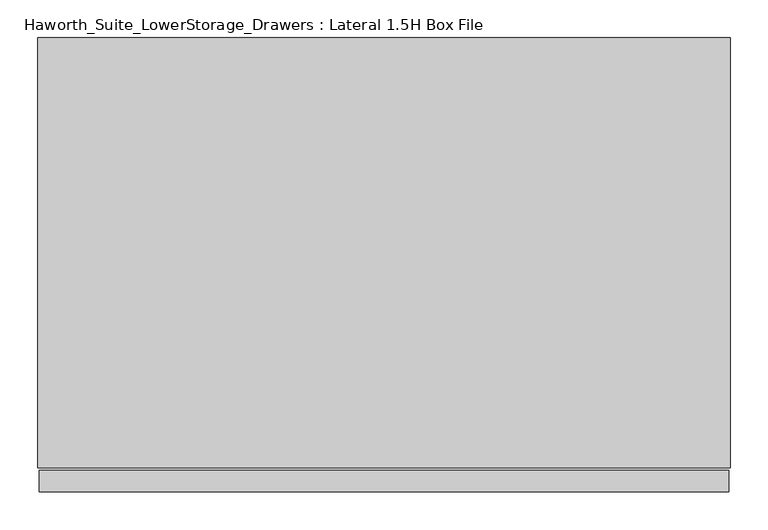
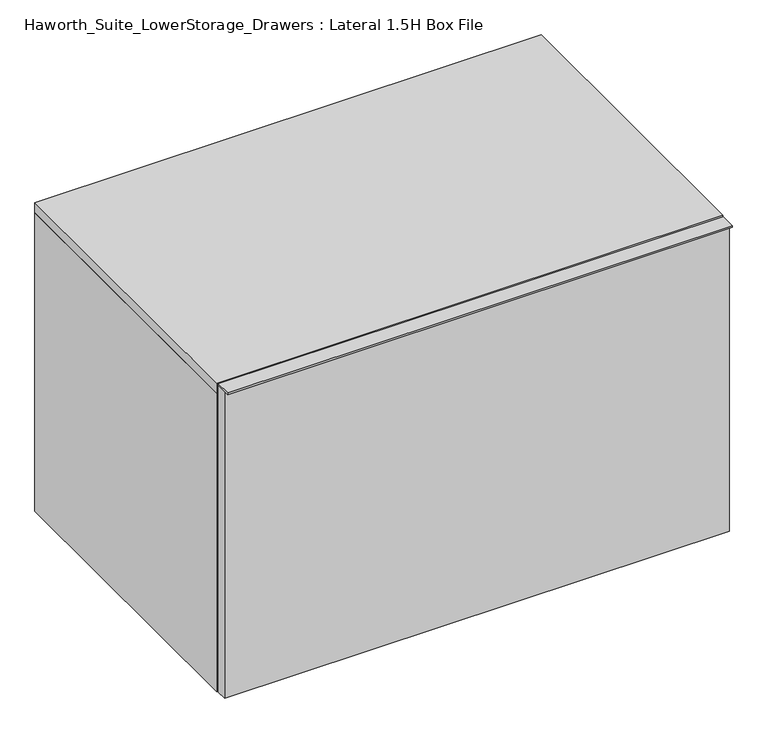
"""IFC4 building model written with IfcOpenShell, lengths in millimetres: furniture geometry, Haworth_Suite_LowerStorage_Drawers : Lateral 1.5H Box File."""

import ifcopenshell
import ifcopenshell.guid

model = None  # the IFC model being written
_history = None  # IfcOwnerHistory: only IFC2X3 demands one
_inside = {}  # id of a spatial element -> (the spatial element, [elements in it])
_under = {}  # id of a project, library or spatial element -> (it, [spatial elements below it])
_declared = {}  # id of a project -> (the project, [libraries it declares])
_typed = {}  # id of a type object -> (the type object, [elements of that type])
_made_of = {}  # id of a material, layer set ... -> (it, [elements and type objects made of it])


def new_model(schema):
    """Start an empty IFC model of exactly this schema.

    Asked for "IFC4X3", IfcOpenShell would pick the latest addendum, in which some entities
    have other attributes; the version numbers below select the first issue.
    IFC2X3 requires an IfcOwnerHistory on every rooted entity: one is made here for all.
    """
    global model, _history
    if schema == "IFC4X3":
        model = ifcopenshell.file(schema_version=(4, 3, 0, 0))
    else:
        model = ifcopenshell.file(schema=schema)
    _inside.clear()
    _under.clear()
    _declared.clear()
    _typed.clear()
    _made_of.clear()
    _history = None
    if model.schema == "IFC2X3":
        org = make("IfcOrganization", Name="unknown")
        user = make(
            "IfcPersonAndOrganization",
            ThePerson=make("IfcPerson", FamilyName="unknown"),
            TheOrganization=org,
        )
        app = make(
            "IfcApplication",
            ApplicationDeveloper=org,
            Version="unknown",
            ApplicationFullName="unknown",
            ApplicationIdentifier="unknown",
        )
        _history = make(
            "IfcOwnerHistory",
            OwningUser=user,
            OwningApplication=app,
            ChangeAction="ADDED",
            CreationDate=0,
        )
    return model


def make(cls, **values):
    """One entity of the class cls with the attributes given. An attribute that is None is left unset."""
    return model.create_entity(
        cls, **{name: value for name, value in values.items() if value is not None}
    )


def rooted(cls, **values):
    """An entity with a GlobalId (a new one), such as an element, a storey or a relation."""
    return make(cls, GlobalId=ifcopenshell.guid.new(), OwnerHistory=_history, **values)


def si_unit(unit_type, name, prefix=None):
    """IfcSIUnit, for example si_unit("LENGTHUNIT", "METRE", prefix="MILLI")."""
    return make("IfcSIUnit", UnitType=unit_type, Prefix=prefix, Name=name)


def assignment(units):
    """IfcUnitAssignment: the units of a project."""
    return None if units is None else make("IfcUnitAssignment", Units=units)


def point(xyz):
    """IfcCartesianPoint."""
    return None if xyz is None else make("IfcCartesianPoint", Coordinates=xyz)


def direction(xyz):
    """IfcDirection."""
    return None if xyz is None else make("IfcDirection", DirectionRatios=xyz)


def frame(location, z_axis=None, x_axis=None):
    """IfcAxis2Placement3D, a coordinate frame: its origin and axes. An axis left out is left unset."""
    return make(
        "IfcAxis2Placement3D",
        Location=point(location),
        Axis=direction(z_axis),
        RefDirection=direction(x_axis),
    )


def origin():
    """The frame at (0, 0, 0) with its axes left unset."""
    return frame((0.0, 0.0, 0.0))


def origin_with_axes():
    """The frame at (0, 0, 0) with the z axis (0, 0, 1) and the x axis (1, 0, 0) written out."""
    return frame((0.0, 0.0, 0.0), z_axis=(0.0, 0.0, 1.0), x_axis=(1.0, 0.0, 0.0))


def place(relative_to, where):
    """IfcLocalPlacement: puts the frame where relative to a parent placement (None: the world)."""
    return make(
        "IfcLocalPlacement", PlacementRelTo=relative_to, RelativePlacement=where
    )


def context(
    kind, dimensions, precision=None, world=None, true_north=None, identifier=None
):
    """IfcGeometricRepresentationContext, for example the 3D "Model" context."""
    return make(
        "IfcGeometricRepresentationContext",
        ContextIdentifier=identifier,
        ContextType=kind,
        CoordinateSpaceDimension=dimensions,
        Precision=precision,
        WorldCoordinateSystem=world,
        TrueNorth=true_north,
    )


def project(units=None, contexts=None):
    """IfcProject with its units and contexts."""
    return rooted(
        "IfcProject",
        Name="project",
        RepresentationContexts=contexts,
        UnitsInContext=assignment(units),
    )


def spatial(cls, under=None, at=None, **own):
    """A site, building, storey or space (cls), placed at a placement, below another one or the project."""
    s = rooted(cls, ObjectPlacement=at, **own)
    if under is not None:
        _under.setdefault(under.id(), (under, []))[1].append(s)
    return s


def polyline(points):
    """IfcPolyline through the points."""
    return make("IfcPolyline", Points=[point(p) for p in points])


def outline(outer, holes=None, kind="AREA"):
    """IfcArbitraryClosedProfileDef: a profile drawn as a closed curve; with holes, ...WithVoids."""
    if holes is None:
        return make("IfcArbitraryClosedProfileDef", ProfileType=kind, OuterCurve=outer)
    return make(
        "IfcArbitraryProfileDefWithVoids",
        ProfileType=kind,
        OuterCurve=outer,
        InnerCurves=holes,
    )


def extrude(swept, where, along, depth):
    """IfcExtrudedAreaSolid: the profile swept, set in the frame where, extruded along a direction by depth."""
    return make(
        "IfcExtrudedAreaSolid",
        SweptArea=swept,
        Position=where,
        ExtrudedDirection=direction(along),
        Depth=depth,
    )


def shape(context_of_items, identifier, shape_type, items):
    """IfcShapeRepresentation: the items that make up one representation, for example the "Body"."""
    return make(
        "IfcShapeRepresentation",
        ContextOfItems=context_of_items,
        RepresentationIdentifier=identifier,
        RepresentationType=shape_type,
        Items=items,
    )


def source(mapping_origin, context_of_items, identifier, shape_type, items):
    """IfcRepresentationMap: a shape defined once, which mapped items show again and again."""
    return make(
        "IfcRepresentationMap",
        MappingOrigin=mapping_origin,
        MappedRepresentation=shape(context_of_items, identifier, shape_type, items),
    )


def transform(
    local_origin,
    x_axis=None,
    y_axis=None,
    z_axis=None,
    scale=None,
    scale2=None,
    scale3=None,
    uniform=True,
):
    """IfcCartesianTransformationOperator3D, or its non-uniform kind. x_axis, y_axis, z_axis: its Axis1, 2, 3."""
    if uniform:
        return make(
            "IfcCartesianTransformationOperator3D",
            Axis1=direction(x_axis),
            Axis2=direction(y_axis),
            LocalOrigin=point(local_origin),
            Scale=scale,
            Axis3=direction(z_axis),
        )
    return make(
        "IfcCartesianTransformationOperator3DnonUniform",
        Axis1=direction(x_axis),
        Axis2=direction(y_axis),
        LocalOrigin=point(local_origin),
        Scale=scale,
        Axis3=direction(z_axis),
        Scale2=scale2,
        Scale3=scale3,
    )


def mapped(mapping_source, mapping_target):
    """IfcMappedItem: shows the shape of a source again, moved by a transform."""
    return make(
        "IfcMappedItem", MappingSource=mapping_source, MappingTarget=mapping_target
    )


def made_of(thing, what):
    """Note that an element or type object is made of a material, layer set ...; save() writes the relation."""
    if what is not None:
        _made_of.setdefault(what.id(), (what, []))[1].append(thing)
    return thing


def element(
    cls,
    number,
    at=None,
    inside=None,
    cuts=None,
    type_object=None,
    material=None,
    context=None,
    identifier="Body",
    shape_type=None,
    held_by="IfcProductDefinitionShape",
    body=None,
    shapes=None,
    **own,
):
    """One element of the class cls, such as IfcWall. Its Tag is "e" and its number.

    at: its placement. inside: the storey or other place that contains it. cuts: it is an
    opening in that element (IfcRelVoidsElement). A single representation is given by context,
    identifier, shape_type and body (its items); several are given by shapes. held_by: the class
    of the entity that holds the representations. save() writes the other relations.
    """
    e = rooted(cls, Tag="e%d" % number, ObjectPlacement=at, **own)
    if body is not None:
        shapes = [shape(context, identifier, shape_type, body)]
    if shapes is not None:
        e.Representation = make(held_by, Representations=shapes)
    if inside is not None:
        _inside.setdefault(inside.id(), (inside, []))[1].append(e)
    if cuts is not None:
        rooted(
            "IfcRelVoidsElement", RelatingBuildingElement=cuts, RelatedOpeningElement=e
        )
    if type_object is not None:
        _typed.setdefault(type_object.id(), (type_object, []))[1].append(e)
    return made_of(e, material)


def aggregate(whole, parts):
    """IfcRelAggregates: a whole, such as a stair, and the parts it consists of."""
    return rooted("IfcRelAggregates", RelatingObject=whole, RelatedObjects=parts)


def save(model, path):
    """Write the relations noted so far, then the file.

    IfcRelAggregates (storeys below a building ...), IfcRelContainedInSpatialStructure (elements
    in a storey), IfcRelDefinesByType, IfcRelAssociatesMaterial and IfcRelDeclares: one each for
    every whole, place, type object, material and project.
    """
    for whole, parts in _under.values():
        aggregate(whole, parts)
    for where, things in _inside.values():
        rooted(
            "IfcRelContainedInSpatialStructure",
            RelatedElements=things,
            RelatingStructure=where,
        )
    for kind, things in _typed.values():
        rooted("IfcRelDefinesByType", RelatedObjects=things, RelatingType=kind)
    for what, things in _made_of.values():
        rooted("IfcRelAssociatesMaterial", RelatedObjects=things, RelatingMaterial=what)
    for by, libraries in _declared.values():
        rooted("IfcRelDeclares", RelatingContext=by, RelatedDefinitions=libraries)
    model.write(path)


def haworth_suite_lowerstorage_drawers_lateral_1_5h_box_file_22f2f888(model_context):
    return source(origin(), model_context, "Body", "SweptSolid", [
        extrude(outline(polyline([(442.9125, -631.825), (-468.3125, -631.825), (-468.3125, -603.25), (442.9125, -603.25), (442.9125, -631.825)])), frame((0.0, 0.0, 585.7875), z_axis=(0.0, 0.0, 1.0), x_axis=(1.0, 0.0, 0.0)), (0.0, 0.0, 1.0), 3.175),
        extrude(outline(polyline([(442.9125, -603.25), (442.9125, -622.3), (-468.3125, -622.3), (-468.3125, -603.25), (442.9125, -603.25)])), origin_with_axes(), (0.0, 0.0, 1.0), 585.7875),
        extrude(outline(polyline([(406.4, -587.375), (406.4, -206.375), (419.1, -206.375), (419.1, -587.375), (406.4, -587.375)])), frame((0.0, 0.0, 374.65), z_axis=(0.0, 0.0, 1.0), x_axis=(1.0, 0.0, 0.0)), (0.0, 0.0, 1.0), 101.6),
        extrude(outline(polyline([(-444.5, -206.375), (-431.8, -206.375), (-431.8, -587.375), (-444.5, -587.375), (-444.5, -206.375)])), frame((0.0, 0.0, 374.65), z_axis=(0.0, 0.0, 1.0), x_axis=(1.0, 0.0, 0.0)), (0.0, 0.0, 1.0), 101.6),
        extrude(outline(polyline([(-444.5, -206.375), (-444.5, -193.675), (419.1, -193.675), (419.1, -206.375), (-444.5, -206.375)])), frame((0.0, 0.0, 374.65), z_axis=(0.0, 0.0, 1.0), x_axis=(1.0, 0.0, 0.0)), (0.0, 0.0, 1.0), 101.6),
        extrude(outline(polyline([(-444.5, -600.075), (-444.5, -587.375), (419.1, -587.375), (419.1, -600.075), (-444.5, -600.075)])), frame((0.0, 0.0, 374.65), z_axis=(0.0, 0.0, 1.0), x_axis=(1.0, 0.0, 0.0)), (0.0, 0.0, 1.0), 101.6),
        extrude(outline(polyline([(-431.8, -587.375), (-431.8, -206.375), (406.4, -206.375), (406.4, -587.375), (-431.8, -587.375)])), frame((0.0, 0.0, 374.65), z_axis=(0.0, 0.0, 1.0), x_axis=(1.0, 0.0, 0.0)), (0.0, 0.0, 1.0), 12.7),
        extrude(outline(polyline([(406.4, -587.375), (406.4, -206.375), (419.1, -206.375), (419.1, -587.375), (406.4, -587.375)])), frame((0.0, 0.0, 50.8), z_axis=(0.0, 0.0, 1.0), x_axis=(1.0, 0.0, 0.0)), (0.0, 0.0, 1.0), 254.0),
        extrude(outline(polyline([(-444.5, -206.375), (-431.8, -206.375), (-431.8, -587.375), (-444.5, -587.375), (-444.5, -206.375)])), frame((0.0, 0.0, 50.8), z_axis=(0.0, 0.0, 1.0), x_axis=(1.0, 0.0, 0.0)), (0.0, 0.0, 1.0), 254.0),
        extrude(outline(polyline([(-444.5, -206.375), (-444.5, -193.675), (419.1, -193.675), (419.1, -206.375), (-444.5, -206.375)])), frame((0.0, 0.0, 50.8), z_axis=(0.0, 0.0, 1.0), x_axis=(1.0, 0.0, 0.0)), (0.0, 0.0, 1.0), 254.0),
        extrude(outline(polyline([(-444.5, -600.075), (-444.5, -587.375), (419.1, -587.375), (419.1, -600.075), (-444.5, -600.075)])), frame((0.0, 0.0, 50.8), z_axis=(0.0, 0.0, 1.0), x_axis=(1.0, 0.0, 0.0)), (0.0, 0.0, 1.0), 254.0),
        extrude(outline(polyline([(-431.8, -587.375), (-431.8, -206.375), (406.4, -206.375), (406.4, -587.375), (-431.8, -587.375)])), frame((0.0, 0.0, 50.8), z_axis=(0.0, 0.0, 1.0), x_axis=(1.0, 0.0, 0.0)), (0.0, 0.0, 1.0), 12.7),
        extrude(outline(polyline([(444.5, -31.75), (444.5, -600.075), (-469.9, -600.075), (-469.9, -31.75), (444.5, -31.75)])), frame((0.0, 0.0, 569.9125), z_axis=(0.0, 0.0, 1.0), x_axis=(1.0, 0.0, 0.0)), (0.0, 0.0, 1.0), 19.05),
        extrude(outline(polyline([(550.8625, 425.45), (550.8625, -450.85), (38.1, -450.85), (38.1, 425.45), (550.8625, 425.45)]), holes=[polyline([(449.2625, 323.85), (139.7, 323.85), (139.7, -349.25), (449.2625, -349.25), (449.2625, 323.85)])]), frame((0.0, -152.4, 0.0), z_axis=(0.0, 1.0, 0.0), x_axis=(0.0, 0.0, 1.0)), (0.0, 0.0, 1.0), 19.05),
        extrude(outline(polyline([(425.45, -133.35), (425.45, -501.65), (-450.85, -501.65), (-450.85, -133.35), (425.45, -133.35)])), frame((0.0, 0.0, 550.8625), z_axis=(0.0, 0.0, 1.0), x_axis=(1.0, 0.0, 0.0)), (0.0, 0.0, 1.0), 19.05),
        extrude(outline(polyline([(425.45, -31.75), (425.45, -600.075), (-450.85, -600.075), (-450.85, -31.75), (425.45, -31.75)])), origin_with_axes(), (0.0, 0.0, 1.0), 38.1),
        extrude(outline(polyline([(-450.85, -31.75), (-450.85, -600.075), (-469.9, -600.075), (-469.9, -31.75), (-450.85, -31.75)])), origin_with_axes(), (0.0, 0.0, 1.0), 569.9125),
        extrude(outline(polyline([(444.5, -600.075), (425.45, -600.075), (425.45, -31.75), (444.5, -31.75), (444.5, -600.075)])), origin_with_axes(), (0.0, 0.0, 1.0), 569.9125),
    ])


if __name__ == "__main__":
    model = new_model("IFC4")
    model_context = context("Model", 3, world=origin())
    ifc_project = project(units=[si_unit("LENGTHUNIT", "METRE", prefix="MILLI")], contexts=[model_context])
    site = spatial("IfcSite", under=ifc_project)
    building = spatial("IfcBuilding", under=site)
    placement = place(None, origin())
    haworth_suite_lowerstorage_drawers_lateral_1_5h_box_file_shape = haworth_suite_lowerstorage_drawers_lateral_1_5h_box_file_22f2f888(model_context)
    element("IfcFurniture", 1, ObjectType="Haworth_Suite_LowerStorage_Drawers : Lateral 1.5H Box File", at=placement, inside=building, context=model_context, shape_type="MappedRepresentation", body=[
        mapped(haworth_suite_lowerstorage_drawers_lateral_1_5h_box_file_shape, transform((0.0, 0.0, 0.0), x_axis=(1.0, 0.0, 0.0), y_axis=(0.0, 1.0, 0.0), z_axis=(0.0, 0.0, 1.0))),
    ])
    save(model, "model.ifc")
